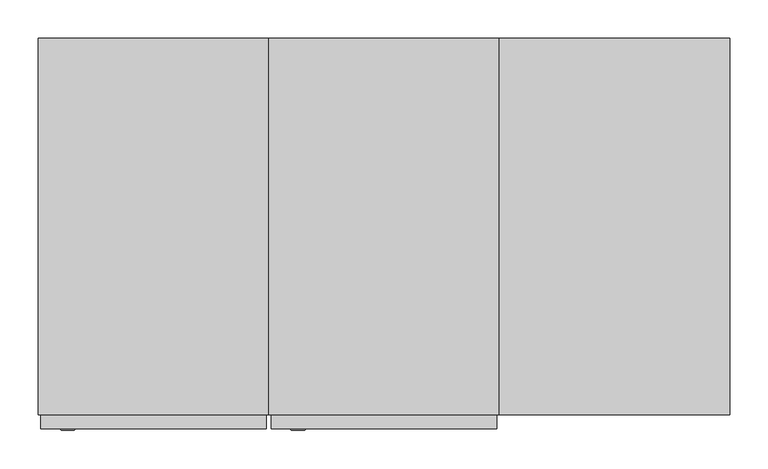
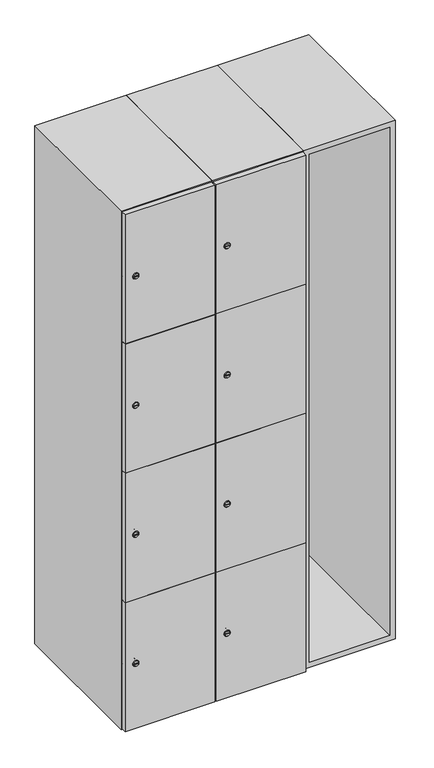
"""IFC4 building model written with IfcOpenShell, lengths in millimetres: furniture geometry."""

from ifc_helpers import new_model, si_unit, point, frame, frame_2d, origin, place, context, project, spatial, polyline, circle_curve, trimmed, segment, composite_curve, outline, extrude, faceted_brep, source, transform, mapped, element, save
from ifc_brep_helpers import plane_surface, revolved_surface, advanced_brep


def furniture_1bf9cd57(model_context):
    return source(origin(), model_context, "Body", "SolidModel", [
        faceted_brep([(700.0, -245.0, 100.0), (700.0, -245.0, 1900.0), (400.0, -245.0, 1900.0), (400.0, -245.0, 100.0), (682.0, -245.0, 1882.0), (682.0, -245.0, 118.0), (418.0, -245.0, 118.0), (418.0, -245.0, 1882.0), (700.0, 245.0, 100.0), (400.0, 245.0, 100.0), (700.0, 245.0, 1900.0), (400.0, 245.0, 1900.0), (682.0, 227.0, 1882.0), (682.0, 227.0, 118.0), (400.0, 245.0, 1882.0), (418.0, 227.0, 1882.0), (418.0, 227.0, 118.0)], [[[0, 1, 2, 3], [4, 5, 6, 7]], [[8, 0, 3, 9]], [[1, 0, 8, 10]], [[1, 10, 11, 2]], [[4, 12, 13, 5]], [[9, 3, 2, 11, 14]], [[10, 8, 9, 14, 11]], [[12, 15, 16, 13]], [[15, 7, 6, 16]], [[4, 7, 15, 12]], [[6, 5, 13, 16]]]),
        extrude(outline(composite_curve([segment(trimmed(circle_curve(frame_2d((327.25, 111.2010534)), 7.0), [point((334.25, 111.2010534))], [point((320.25, 111.2010534))], False, "CARTESIAN"), True, "CONTINUOUS"), segment(polyline([(320.25, 111.2010534), (320.25, 139.2010534)]), True, "CONTINUOUS"), segment(trimmed(circle_curve(frame_2d((327.25, 139.2010534)), 7.0), [point((320.25, 139.2010534))], [point((334.25, 139.2010534))], False, "CARTESIAN"), True, "CONTINUOUS"), segment(polyline([(334.25, 139.2010534), (334.25, 111.2010534)]), True, "CONTINUOUS")], self_intersect=False)), frame((0.0, -245.0, 0.0), z_axis=(0.0, 1.0, 0.0), x_axis=(0.0, 0.0, 1.0)), (0.0, 0.0, 1.0), 2.0),
        advanced_brep(
        [(146.5, -265.2, 327.25), (129.5, -265.2, 327.25), (133.0, -265.2, 326.0), (133.0, -265.2, 328.5), (143.0, -265.2, 328.5), (143.0, -265.2, 326.0), (148.5, -263.0, 327.25), (127.5, -263.0, 327.25), (133.0, -263.0, 328.5), (133.0, -263.0, 326.0), (143.0, -263.0, 326.0), (143.0, -263.0, 328.5)],
        [
            (0, 1, circle_curve(frame((138.0, -265.2, 327.25), z_axis=(0.0, -1.0, 0.0), x_axis=(1.0, 0.0, 0.0)), 8.5)),
            (1, 0, circle_curve(frame((138.0, -265.2, 327.25), z_axis=(0.0, -1.0, 0.0), x_axis=(-1.0, 0.0, 0.0)), 8.5)),
            (2, 3),
            (3, 4),
            (4, 5),
            (5, 2),
            (6, 7, circle_curve(frame((138.0, -263.0, 327.25), z_axis=(0.0, 1.0, 0.0), x_axis=(-1.0, 0.0, 0.0)), 10.5)),
            (7, 6, circle_curve(frame((138.0, -263.0, 327.25), z_axis=(0.0, 1.0, 0.0), x_axis=(1.0, 0.0, 0.0)), 10.5)),
            (8, 9),
            (9, 10),
            (10, 11),
            (11, 8),
            (0, 6),
            (7, 1),
            (8, 3),
            (2, 9),
            (11, 4),
            (10, 5),
        ],
        [
            plane_surface(frame((138.0, -265.2, 327.25), z_axis=(0.0, -1.0, 0.0), x_axis=(0.0, 0.0, 1.0))),
            plane_surface(frame((138.0, -263.0, 327.25), z_axis=(0.0, 1.0, 0.0), x_axis=(0.0, 0.0, 1.0))),
            revolved_surface(polyline([(146.5, -265.2, 327.25), (148.5, -263.0, 327.25)]), (138.0, -274.55, 327.25), (0.0, 1.0, 0.0)),
            revolved_surface(polyline([(129.5, -265.2, 327.25), (127.5, -263.0, 327.25)]), (138.0, -274.55, 327.25), (0.0, 1.0, 0.0)),
            plane_surface(frame((133.0, -263.0, 326.0), z_axis=(1.0, 0.0, 0.0), x_axis=(0.0, -1.0, 0.0))),
            plane_surface(frame((133.0, -263.0, 328.5), z_axis=(0.0, 0.0, -1.0), x_axis=(0.0, -1.0, 0.0))),
            plane_surface(frame((143.0, -263.0, 328.5), z_axis=(-1.0, 0.0, 0.0), x_axis=(0.0, -1.0, 0.0))),
            plane_surface(frame((143.0, -263.0, 326.0), z_axis=(0.0, 0.0, 1.0), x_axis=(0.0, -1.0, 0.0))),
        ],
        [
            (0, [[1, 2], [3, 4, 5, 6]]),
            (1, [[7, 8], [9, 10, 11, 12]]),
            (2, [[-1, 13, -8, 14]]),
            (3, [[-2, -14, -7, -13]]),
            (4, [[15, -3, 16, -9]]),
            (5, [[-15, -12, 17, -4]]),
            (6, [[-17, -11, 18, -5]]),
            (7, [[-16, -6, -18, -10]]),
        ],
    ),
        extrude(outline(composite_curve([segment(trimmed(circle_curve(frame_2d((775.75, 111.2010534)), 7.0), [point((782.75, 111.2010534))], [point((768.75, 111.2010534))], False, "CARTESIAN"), True, "CONTINUOUS"), segment(polyline([(768.75, 111.2010534), (768.75, 139.2010534)]), True, "CONTINUOUS"), segment(trimmed(circle_curve(frame_2d((775.75, 139.2010534)), 7.0), [point((768.75, 139.2010534))], [point((782.75, 139.2010534))], False, "CARTESIAN"), True, "CONTINUOUS"), segment(polyline([(782.75, 139.2010534), (782.75, 111.2010534)]), True, "CONTINUOUS")], self_intersect=False)), frame((0.0, -245.0, 0.0), z_axis=(0.0, 1.0, 0.0), x_axis=(0.0, 0.0, 1.0)), (0.0, 0.0, 1.0), 2.0),
        advanced_brep(
        [(146.5, -265.2, 775.75), (129.5, -265.2, 775.75), (133.0, -265.2, 774.5), (133.0, -265.2, 777.0), (143.0, -265.2, 777.0), (143.0, -265.2, 774.5), (148.5, -263.0, 775.75), (127.5, -263.0, 775.75), (133.0, -263.0, 777.0), (133.0, -263.0, 774.5), (143.0, -263.0, 774.5), (143.0, -263.0, 777.0)],
        [
            (0, 1, circle_curve(frame((138.0, -265.2, 775.75), z_axis=(0.0, -1.0, 0.0), x_axis=(1.0, 0.0, 0.0)), 8.5)),
            (1, 0, circle_curve(frame((138.0, -265.2, 775.75), z_axis=(0.0, -1.0, 0.0), x_axis=(-1.0, 0.0, 0.0)), 8.5)),
            (2, 3),
            (3, 4),
            (4, 5),
            (5, 2),
            (6, 7, circle_curve(frame((138.0, -263.0, 775.75), z_axis=(0.0, 1.0, 0.0), x_axis=(-1.0, 0.0, 0.0)), 10.5)),
            (7, 6, circle_curve(frame((138.0, -263.0, 775.75), z_axis=(0.0, 1.0, 0.0), x_axis=(1.0, 0.0, 0.0)), 10.5)),
            (8, 9),
            (9, 10),
            (10, 11),
            (11, 8),
            (0, 6),
            (7, 1),
            (8, 3),
            (2, 9),
            (11, 4),
            (10, 5),
        ],
        [
            plane_surface(frame((138.0, -265.2, 775.75), z_axis=(0.0, -1.0, 0.0), x_axis=(0.0, 0.0, 1.0))),
            plane_surface(frame((138.0, -263.0, 775.75), z_axis=(0.0, 1.0, 0.0), x_axis=(0.0, 0.0, 1.0))),
            revolved_surface(polyline([(146.5, -265.2, 775.75), (148.5, -263.0, 775.75)]), (138.0, -274.55, 775.75), (0.0, 1.0, 0.0)),
            revolved_surface(polyline([(129.5, -265.2, 775.75), (127.5, -263.0, 775.75)]), (138.0, -274.55, 775.75), (0.0, 1.0, 0.0)),
            plane_surface(frame((133.0, -263.0, 774.5), z_axis=(1.0, 0.0, 0.0), x_axis=(0.0, -1.0, 0.0))),
            plane_surface(frame((133.0, -263.0, 777.0), z_axis=(0.0, 0.0, -1.0), x_axis=(0.0, -1.0, 0.0))),
            plane_surface(frame((143.0, -263.0, 777.0), z_axis=(-1.0, 0.0, 0.0), x_axis=(0.0, -1.0, 0.0))),
            plane_surface(frame((143.0, -263.0, 774.5), z_axis=(0.0, 0.0, 1.0), x_axis=(0.0, -1.0, 0.0))),
        ],
        [
            (0, [[1, 2], [3, 4, 5, 6]]),
            (1, [[7, 8], [9, 10, 11, 12]]),
            (2, [[-1, 13, -8, 14]]),
            (3, [[-2, -14, -7, -13]]),
            (4, [[15, -3, 16, -9]]),
            (5, [[-15, -12, 17, -4]]),
            (6, [[-17, -11, 18, -5]]),
            (7, [[-16, -6, -18, -10]]),
        ],
    ),
        extrude(outline(composite_curve([segment(trimmed(circle_curve(frame_2d((1224.25, 111.2010534)), 7.0), [point((1231.25, 111.2010534))], [point((1217.25, 111.2010534))], False, "CARTESIAN"), True, "CONTINUOUS"), segment(polyline([(1217.25, 111.2010534), (1217.25, 139.2010534)]), True, "CONTINUOUS"), segment(trimmed(circle_curve(frame_2d((1224.25, 139.2010534)), 7.0), [point((1217.25, 139.2010534))], [point((1231.25, 139.2010534))], False, "CARTESIAN"), True, "CONTINUOUS"), segment(polyline([(1231.25, 139.2010534), (1231.25, 111.2010534)]), True, "CONTINUOUS")], self_intersect=False)), frame((0.0, -245.0, 0.0), z_axis=(0.0, 1.0, 0.0), x_axis=(0.0, 0.0, 1.0)), (0.0, 0.0, 1.0), 2.0),
        advanced_brep(
        [(146.5, -265.2, 1224.25), (129.5, -265.2, 1224.25), (133.0, -265.2, 1223.0), (133.0, -265.2, 1225.5), (143.0, -265.2, 1225.5), (143.0, -265.2, 1223.0), (148.5, -263.0, 1224.25), (127.5, -263.0, 1224.25), (133.0, -263.0, 1225.5), (133.0, -263.0, 1223.0), (143.0, -263.0, 1223.0), (143.0, -263.0, 1225.5)],
        [
            (0, 1, circle_curve(frame((138.0, -265.2, 1224.25), z_axis=(0.0, -1.0, 0.0), x_axis=(1.0, 0.0, 0.0)), 8.5)),
            (1, 0, circle_curve(frame((138.0, -265.2, 1224.25), z_axis=(0.0, -1.0, 0.0), x_axis=(-1.0, 0.0, 0.0)), 8.5)),
            (2, 3),
            (3, 4),
            (4, 5),
            (5, 2),
            (6, 7, circle_curve(frame((138.0, -263.0, 1224.25), z_axis=(0.0, 1.0, 0.0), x_axis=(-1.0, 0.0, 0.0)), 10.5)),
            (7, 6, circle_curve(frame((138.0, -263.0, 1224.25), z_axis=(0.0, 1.0, 0.0), x_axis=(1.0, 0.0, 0.0)), 10.5)),
            (8, 9),
            (9, 10),
            (10, 11),
            (11, 8),
            (0, 6),
            (7, 1),
            (8, 3),
            (2, 9),
            (11, 4),
            (10, 5),
        ],
        [
            plane_surface(frame((138.0, -265.2, 1224.25), z_axis=(0.0, -1.0, 0.0), x_axis=(0.0, 0.0, 1.0))),
            plane_surface(frame((138.0, -263.0, 1224.25), z_axis=(0.0, 1.0, 0.0), x_axis=(0.0, 0.0, 1.0))),
            revolved_surface(polyline([(146.5, -265.2, 1224.25), (148.5, -263.0, 1224.25)]), (138.0, -274.55, 1224.25), (0.0, 1.0, 0.0)),
            revolved_surface(polyline([(129.5, -265.2, 1224.25), (127.5, -263.0, 1224.25)]), (138.0, -274.55, 1224.25), (0.0, 1.0, 0.0)),
            plane_surface(frame((133.0, -263.0, 1223.0), z_axis=(1.0, 0.0, 0.0), x_axis=(0.0, -1.0, 0.0))),
            plane_surface(frame((133.0, -263.0, 1225.5), z_axis=(0.0, 0.0, -1.0), x_axis=(0.0, -1.0, 0.0))),
            plane_surface(frame((143.0, -263.0, 1225.5), z_axis=(-1.0, 0.0, 0.0), x_axis=(0.0, -1.0, 0.0))),
            plane_surface(frame((143.0, -263.0, 1223.0), z_axis=(0.0, 0.0, 1.0), x_axis=(0.0, -1.0, 0.0))),
        ],
        [
            (0, [[1, 2], [3, 4, 5, 6]]),
            (1, [[7, 8], [9, 10, 11, 12]]),
            (2, [[-1, 13, -8, 14]]),
            (3, [[-2, -14, -7, -13]]),
            (4, [[15, -3, 16, -9]]),
            (5, [[-15, -12, 17, -4]]),
            (6, [[-17, -11, 18, -5]]),
            (7, [[-16, -6, -18, -10]]),
        ],
    ),
        extrude(outline(composite_curve([segment(trimmed(circle_curve(frame_2d((1672.75, 111.2010534)), 7.0), [point((1679.75, 111.2010534))], [point((1665.75, 111.2010534))], False, "CARTESIAN"), True, "CONTINUOUS"), segment(polyline([(1665.75, 111.2010534), (1665.75, 139.2010534)]), True, "CONTINUOUS"), segment(trimmed(circle_curve(frame_2d((1672.75, 139.2010534)), 7.0), [point((1665.75, 139.2010534))], [point((1679.75, 139.2010534))], False, "CARTESIAN"), True, "CONTINUOUS"), segment(polyline([(1679.75, 139.2010534), (1679.75, 111.2010534)]), True, "CONTINUOUS")], self_intersect=False)), frame((0.0, -245.0, 0.0), z_axis=(0.0, 1.0, 0.0), x_axis=(0.0, 0.0, 1.0)), (0.0, 0.0, 1.0), 2.0),
        advanced_brep(
        [(146.5, -265.2, 1672.75), (129.5, -265.2, 1672.75), (133.0, -265.2, 1671.5), (133.0, -265.2, 1674.0), (143.0, -265.2, 1674.0), (143.0, -265.2, 1671.5), (148.5, -263.0, 1672.75), (127.5, -263.0, 1672.75), (133.0, -263.0, 1674.0), (133.0, -263.0, 1671.5), (143.0, -263.0, 1671.5), (143.0, -263.0, 1674.0)],
        [
            (0, 1, circle_curve(frame((138.0, -265.2, 1672.75), z_axis=(0.0, -1.0, 0.0), x_axis=(1.0, 0.0, 0.0)), 8.5)),
            (1, 0, circle_curve(frame((138.0, -265.2, 1672.75), z_axis=(0.0, -1.0, 0.0), x_axis=(-1.0, 0.0, 0.0)), 8.5)),
            (2, 3),
            (3, 4),
            (4, 5),
            (5, 2),
            (6, 7, circle_curve(frame((138.0, -263.0, 1672.75), z_axis=(0.0, 1.0, 0.0), x_axis=(-1.0, 0.0, 0.0)), 10.5)),
            (7, 6, circle_curve(frame((138.0, -263.0, 1672.75), z_axis=(0.0, 1.0, 0.0), x_axis=(1.0, 0.0, 0.0)), 10.5)),
            (8, 9),
            (9, 10),
            (10, 11),
            (11, 8),
            (0, 6),
            (7, 1),
            (8, 3),
            (2, 9),
            (11, 4),
            (10, 5),
        ],
        [
            plane_surface(frame((138.0, -265.2, 1672.75), z_axis=(0.0, -1.0, 0.0), x_axis=(0.0, 0.0, 1.0))),
            plane_surface(frame((138.0, -263.0, 1672.75), z_axis=(0.0, 1.0, 0.0), x_axis=(0.0, 0.0, 1.0))),
            revolved_surface(polyline([(146.5, -265.2, 1672.75), (148.5, -263.0, 1672.75)]), (138.0, -274.55, 1672.75), (0.0, 1.0, 0.0)),
            revolved_surface(polyline([(129.5, -265.2, 1672.75), (127.5, -263.0, 1672.75)]), (138.0, -274.55, 1672.75), (0.0, 1.0, 0.0)),
            plane_surface(frame((133.0, -263.0, 1671.5), z_axis=(1.0, 0.0, 0.0), x_axis=(0.0, -1.0, 0.0))),
            plane_surface(frame((133.0, -263.0, 1674.0), z_axis=(0.0, 0.0, -1.0), x_axis=(0.0, -1.0, 0.0))),
            plane_surface(frame((143.0, -263.0, 1674.0), z_axis=(-1.0, 0.0, 0.0), x_axis=(0.0, -1.0, 0.0))),
            plane_surface(frame((143.0, -263.0, 1671.5), z_axis=(0.0, 0.0, 1.0), x_axis=(0.0, -1.0, 0.0))),
        ],
        [
            (0, [[1, 2], [3, 4, 5, 6]]),
            (1, [[7, 8], [9, 10, 11, 12]]),
            (2, [[-1, 13, -8, 14]]),
            (3, [[-2, -14, -7, -13]]),
            (4, [[15, -3, 16, -9]]),
            (5, [[-15, -12, 17, -4]]),
            (6, [[-17, -11, 18, -5]]),
            (7, [[-16, -6, -18, -10]]),
        ],
    ),
        extrude(outline(polyline([(397.0, -245.0), (397.0, -263.0), (103.0, -263.0), (103.0, -245.0), (397.0, -245.0)])), frame((0.0, 0.0, 551.0), z_axis=(0.0, 0.0, 1.0), x_axis=(1.0, 0.0, 0.0)), (0.0, 0.0, 1.0), 448.5),
        extrude(outline(polyline([(397.0, -245.0), (397.0, -263.0), (103.0, -263.0), (103.0, -245.0), (397.0, -245.0)])), frame((0.0, 0.0, 1000.5), z_axis=(0.0, 0.0, 1.0), x_axis=(1.0, 0.0, 0.0)), (0.0, 0.0, 1.0), 447.5),
        extrude(outline(polyline([(103.0, -263.0), (103.0, -245.0), (397.0, -245.0), (397.0, -263.0), (103.0, -263.0)])), frame((0.0, 0.0, 1449.0), z_axis=(0.0, 0.0, 1.0), x_axis=(1.0, 0.0, 0.0)), (0.0, 0.0, 1.0), 448.0),
        extrude(outline(polyline([(397.0, -245.0), (397.0, -263.0), (103.0, -263.0), (103.0, -245.0), (397.0, -245.0)])), frame((0.0, 0.0, 103.0), z_axis=(0.0, 0.0, 1.0), x_axis=(1.0, 0.0, 0.0)), (0.0, 0.0, 1.0), 449.0),
        extrude(outline(polyline([(382.0, 227.0), (382.0, -227.0), (118.0, -227.0), (118.0, 227.0), (382.0, 227.0)])), frame((0.0, 0.0, 1432.0), z_axis=(0.0, 0.0, 1.0), x_axis=(1.0, 0.0, 0.0)), (0.0, 0.0, 1.0), 18.0),
        extrude(outline(polyline([(382.0, 227.0), (382.0, -227.0), (118.0, -227.0), (118.0, 227.0), (382.0, 227.0)])), frame((0.0, 0.0, 991.0), z_axis=(0.0, 0.0, 1.0), x_axis=(1.0, 0.0, 0.0)), (0.0, 0.0, 1.0), 18.0),
        extrude(outline(polyline([(382.0, 227.0), (382.0, -227.0), (118.0, -227.0), (118.0, 227.0), (382.0, 227.0)])), frame((0.0, 0.0, 550.0), z_axis=(0.0, 0.0, 1.0), x_axis=(1.0, 0.0, 0.0)), (0.0, 0.0, 1.0), 18.0),
        faceted_brep([(400.0, -245.0, 100.0), (400.0, -245.0, 1900.0), (100.0, -245.0, 1900.0), (100.0, -245.0, 100.0), (382.0, -245.0, 1882.0), (382.0, -245.0, 118.0), (118.0, -245.0, 118.0), (118.0, -245.0, 1882.0), (400.0, 245.0, 100.0), (100.0, 245.0, 100.0), (400.0, 245.0, 1900.0), (100.0, 245.0, 1900.0), (382.0, 227.0, 1882.0), (382.0, 227.0, 118.0), (100.0, 245.0, 1882.0), (118.0, 227.0, 1882.0), (118.0, 227.0, 118.0)], [[[0, 1, 2, 3], [4, 5, 6, 7]], [[8, 0, 3, 9]], [[1, 0, 8, 10]], [[1, 10, 11, 2]], [[4, 12, 13, 5]], [[9, 3, 2, 11, 14]], [[10, 8, 9, 14, 11]], [[12, 15, 16, 13]], [[15, 7, 6, 16]], [[4, 7, 15, 12]], [[6, 5, 13, 16]]]),
        extrude(outline(composite_curve([segment(trimmed(circle_curve(frame_2d((327.25, -188.7989466)), 7.0), [point((334.25, -188.7989466))], [point((320.25, -188.7989466))], False, "CARTESIAN"), True, "CONTINUOUS"), segment(polyline([(320.25, -188.7989466), (320.25, -160.7989466)]), True, "CONTINUOUS"), segment(trimmed(circle_curve(frame_2d((327.25, -160.7989466)), 7.0), [point((320.25, -160.7989466))], [point((334.25, -160.7989466))], False, "CARTESIAN"), True, "CONTINUOUS"), segment(polyline([(334.25, -160.7989466), (334.25, -188.7989466)]), True, "CONTINUOUS")], self_intersect=False)), frame((0.0, -245.0, 0.0), z_axis=(0.0, 1.0, 0.0), x_axis=(0.0, 0.0, 1.0)), (0.0, 0.0, 1.0), 2.0),
        advanced_brep(
        [(-153.5, -265.2, 327.25), (-170.5, -265.2, 327.25), (-167.0, -265.2, 326.0), (-167.0, -265.2, 328.5), (-157.0, -265.2, 328.5), (-157.0, -265.2, 326.0), (-151.5, -263.0, 327.25), (-172.5, -263.0, 327.25), (-167.0, -263.0, 328.5), (-167.0, -263.0, 326.0), (-157.0, -263.0, 326.0), (-157.0, -263.0, 328.5)],
        [
            (0, 1, circle_curve(frame((-162.0, -265.2, 327.25), z_axis=(0.0, -1.0, 0.0), x_axis=(1.0, 0.0, 0.0)), 8.5)),
            (1, 0, circle_curve(frame((-162.0, -265.2, 327.25), z_axis=(0.0, -1.0, 0.0), x_axis=(-1.0, 0.0, 0.0)), 8.5)),
            (2, 3),
            (3, 4),
            (4, 5),
            (5, 2),
            (6, 7, circle_curve(frame((-162.0, -263.0, 327.25), z_axis=(0.0, 1.0, 0.0), x_axis=(-1.0, 0.0, 0.0)), 10.5)),
            (7, 6, circle_curve(frame((-162.0, -263.0, 327.25), z_axis=(0.0, 1.0, 0.0), x_axis=(1.0, 0.0, 0.0)), 10.5)),
            (8, 9),
            (9, 10),
            (10, 11),
            (11, 8),
            (0, 6),
            (7, 1),
            (8, 3),
            (2, 9),
            (11, 4),
            (10, 5),
        ],
        [
            plane_surface(frame((-162.0, -265.2, 327.25), z_axis=(0.0, -1.0, 0.0), x_axis=(0.0, 0.0, 1.0))),
            plane_surface(frame((-162.0, -263.0, 327.25), z_axis=(0.0, 1.0, 0.0), x_axis=(0.0, 0.0, 1.0))),
            revolved_surface(polyline([(-153.5, -265.2, 327.25), (-151.5, -263.0, 327.25)]), (-162.0, -274.55, 327.25), (0.0, 1.0, 0.0)),
            revolved_surface(polyline([(-170.5, -265.2, 327.25), (-172.5, -263.0, 327.25)]), (-162.0, -274.55, 327.25), (0.0, 1.0, 0.0)),
            plane_surface(frame((-167.0, -263.0, 326.0), z_axis=(1.0, 0.0, 0.0), x_axis=(0.0, -1.0, 0.0))),
            plane_surface(frame((-167.0, -263.0, 328.5), z_axis=(0.0, 0.0, -1.0), x_axis=(0.0, -1.0, 0.0))),
            plane_surface(frame((-157.0, -263.0, 328.5), z_axis=(-1.0, 0.0, 0.0), x_axis=(0.0, -1.0, 0.0))),
            plane_surface(frame((-157.0, -263.0, 326.0), z_axis=(0.0, 0.0, 1.0), x_axis=(0.0, -1.0, 0.0))),
        ],
        [
            (0, [[1, 2], [3, 4, 5, 6]]),
            (1, [[7, 8], [9, 10, 11, 12]]),
            (2, [[-1, 13, -8, 14]]),
            (3, [[-2, -14, -7, -13]]),
            (4, [[15, -3, 16, -9]]),
            (5, [[-15, -12, 17, -4]]),
            (6, [[-17, -11, 18, -5]]),
            (7, [[-16, -6, -18, -10]]),
        ],
    ),
        extrude(outline(composite_curve([segment(trimmed(circle_curve(frame_2d((775.75, -188.7989466)), 7.0), [point((782.75, -188.7989466))], [point((768.75, -188.7989466))], False, "CARTESIAN"), True, "CONTINUOUS"), segment(polyline([(768.75, -188.7989466), (768.75, -160.7989466)]), True, "CONTINUOUS"), segment(trimmed(circle_curve(frame_2d((775.75, -160.7989466)), 7.0), [point((768.75, -160.7989466))], [point((782.75, -160.7989466))], False, "CARTESIAN"), True, "CONTINUOUS"), segment(polyline([(782.75, -160.7989466), (782.75, -188.7989466)]), True, "CONTINUOUS")], self_intersect=False)), frame((0.0, -245.0, 0.0), z_axis=(0.0, 1.0, 0.0), x_axis=(0.0, 0.0, 1.0)), (0.0, 0.0, 1.0), 2.0),
        advanced_brep(
        [(-153.5, -265.2, 775.75), (-170.5, -265.2, 775.75), (-167.0, -265.2, 774.5), (-167.0, -265.2, 777.0), (-157.0, -265.2, 777.0), (-157.0, -265.2, 774.5), (-151.5, -263.0, 775.75), (-172.5, -263.0, 775.75), (-167.0, -263.0, 777.0), (-167.0, -263.0, 774.5), (-157.0, -263.0, 774.5), (-157.0, -263.0, 777.0)],
        [
            (0, 1, circle_curve(frame((-162.0, -265.2, 775.75), z_axis=(0.0, -1.0, 0.0), x_axis=(1.0, 0.0, 0.0)), 8.5)),
            (1, 0, circle_curve(frame((-162.0, -265.2, 775.75), z_axis=(0.0, -1.0, 0.0), x_axis=(-1.0, 0.0, 0.0)), 8.5)),
            (2, 3),
            (3, 4),
            (4, 5),
            (5, 2),
            (6, 7, circle_curve(frame((-162.0, -263.0, 775.75), z_axis=(0.0, 1.0, 0.0), x_axis=(-1.0, 0.0, 0.0)), 10.5)),
            (7, 6, circle_curve(frame((-162.0, -263.0, 775.75), z_axis=(0.0, 1.0, 0.0), x_axis=(1.0, 0.0, 0.0)), 10.5)),
            (8, 9),
            (9, 10),
            (10, 11),
            (11, 8),
            (0, 6),
            (7, 1),
            (8, 3),
            (2, 9),
            (11, 4),
            (10, 5),
        ],
        [
            plane_surface(frame((-162.0, -265.2, 775.75), z_axis=(0.0, -1.0, 0.0), x_axis=(0.0, 0.0, 1.0))),
            plane_surface(frame((-162.0, -263.0, 775.75), z_axis=(0.0, 1.0, 0.0), x_axis=(0.0, 0.0, 1.0))),
            revolved_surface(polyline([(-153.5, -265.2, 775.75), (-151.5, -263.0, 775.75)]), (-162.0, -274.55, 775.75), (0.0, 1.0, 0.0)),
            revolved_surface(polyline([(-170.5, -265.2, 775.75), (-172.5, -263.0, 775.75)]), (-162.0, -274.55, 775.75), (0.0, 1.0, 0.0)),
            plane_surface(frame((-167.0, -263.0, 774.5), z_axis=(1.0, 0.0, 0.0), x_axis=(0.0, -1.0, 0.0))),
            plane_surface(frame((-167.0, -263.0, 777.0), z_axis=(0.0, 0.0, -1.0), x_axis=(0.0, -1.0, 0.0))),
            plane_surface(frame((-157.0, -263.0, 777.0), z_axis=(-1.0, 0.0, 0.0), x_axis=(0.0, -1.0, 0.0))),
            plane_surface(frame((-157.0, -263.0, 774.5), z_axis=(0.0, 0.0, 1.0), x_axis=(0.0, -1.0, 0.0))),
        ],
        [
            (0, [[1, 2], [3, 4, 5, 6]]),
            (1, [[7, 8], [9, 10, 11, 12]]),
            (2, [[-1, 13, -8, 14]]),
            (3, [[-2, -14, -7, -13]]),
            (4, [[15, -3, 16, -9]]),
            (5, [[-15, -12, 17, -4]]),
            (6, [[-17, -11, 18, -5]]),
            (7, [[-16, -6, -18, -10]]),
        ],
    ),
        extrude(outline(composite_curve([segment(trimmed(circle_curve(frame_2d((1224.25, -188.7989466)), 7.0), [point((1231.25, -188.7989466))], [point((1217.25, -188.7989466))], False, "CARTESIAN"), True, "CONTINUOUS"), segment(polyline([(1217.25, -188.7989466), (1217.25, -160.7989466)]), True, "CONTINUOUS"), segment(trimmed(circle_curve(frame_2d((1224.25, -160.7989466)), 7.0), [point((1217.25, -160.7989466))], [point((1231.25, -160.7989466))], False, "CARTESIAN"), True, "CONTINUOUS"), segment(polyline([(1231.25, -160.7989466), (1231.25, -188.7989466)]), True, "CONTINUOUS")], self_intersect=False)), frame((0.0, -245.0, 0.0), z_axis=(0.0, 1.0, 0.0), x_axis=(0.0, 0.0, 1.0)), (0.0, 0.0, 1.0), 2.0),
        advanced_brep(
        [(-153.5, -265.2, 1224.25), (-170.5, -265.2, 1224.25), (-167.0, -265.2, 1223.0), (-167.0, -265.2, 1225.5), (-157.0, -265.2, 1225.5), (-157.0, -265.2, 1223.0), (-151.5, -263.0, 1224.25), (-172.5, -263.0, 1224.25), (-167.0, -263.0, 1225.5), (-167.0, -263.0, 1223.0), (-157.0, -263.0, 1223.0), (-157.0, -263.0, 1225.5)],
        [
            (0, 1, circle_curve(frame((-162.0, -265.2, 1224.25), z_axis=(0.0, -1.0, 0.0), x_axis=(1.0, 0.0, 0.0)), 8.5)),
            (1, 0, circle_curve(frame((-162.0, -265.2, 1224.25), z_axis=(0.0, -1.0, 0.0), x_axis=(-1.0, 0.0, 0.0)), 8.5)),
            (2, 3),
            (3, 4),
            (4, 5),
            (5, 2),
            (6, 7, circle_curve(frame((-162.0, -263.0, 1224.25), z_axis=(0.0, 1.0, 0.0), x_axis=(-1.0, 0.0, 0.0)), 10.5)),
            (7, 6, circle_curve(frame((-162.0, -263.0, 1224.25), z_axis=(0.0, 1.0, 0.0), x_axis=(1.0, 0.0, 0.0)), 10.5)),
            (8, 9),
            (9, 10),
            (10, 11),
            (11, 8),
            (0, 6),
            (7, 1),
            (8, 3),
            (2, 9),
            (11, 4),
            (10, 5),
        ],
        [
            plane_surface(frame((-162.0, -265.2, 1224.25), z_axis=(0.0, -1.0, 0.0), x_axis=(0.0, 0.0, 1.0))),
            plane_surface(frame((-162.0, -263.0, 1224.25), z_axis=(0.0, 1.0, 0.0), x_axis=(0.0, 0.0, 1.0))),
            revolved_surface(polyline([(-153.5, -265.2, 1224.25), (-151.5, -263.0, 1224.25)]), (-162.0, -274.55, 1224.25), (0.0, 1.0, 0.0)),
            revolved_surface(polyline([(-170.5, -265.2, 1224.25), (-172.5, -263.0, 1224.25)]), (-162.0, -274.55, 1224.25), (0.0, 1.0, 0.0)),
            plane_surface(frame((-167.0, -263.0, 1223.0), z_axis=(1.0, 0.0, 0.0), x_axis=(0.0, -1.0, 0.0))),
            plane_surface(frame((-167.0, -263.0, 1225.5), z_axis=(0.0, 0.0, -1.0), x_axis=(0.0, -1.0, 0.0))),
            plane_surface(frame((-157.0, -263.0, 1225.5), z_axis=(-1.0, 0.0, 0.0), x_axis=(0.0, -1.0, 0.0))),
            plane_surface(frame((-157.0, -263.0, 1223.0), z_axis=(0.0, 0.0, 1.0), x_axis=(0.0, -1.0, 0.0))),
        ],
        [
            (0, [[1, 2], [3, 4, 5, 6]]),
            (1, [[7, 8], [9, 10, 11, 12]]),
            (2, [[-1, 13, -8, 14]]),
            (3, [[-2, -14, -7, -13]]),
            (4, [[15, -3, 16, -9]]),
            (5, [[-15, -12, 17, -4]]),
            (6, [[-17, -11, 18, -5]]),
            (7, [[-16, -6, -18, -10]]),
        ],
    ),
        extrude(outline(composite_curve([segment(trimmed(circle_curve(frame_2d((1672.75, -188.7989466)), 7.0), [point((1679.75, -188.7989466))], [point((1665.75, -188.7989466))], False, "CARTESIAN"), True, "CONTINUOUS"), segment(polyline([(1665.75, -188.7989466), (1665.75, -160.7989466)]), True, "CONTINUOUS"), segment(trimmed(circle_curve(frame_2d((1672.75, -160.7989466)), 7.0), [point((1665.75, -160.7989466))], [point((1679.75, -160.7989466))], False, "CARTESIAN"), True, "CONTINUOUS"), segment(polyline([(1679.75, -160.7989466), (1679.75, -188.7989466)]), True, "CONTINUOUS")], self_intersect=False)), frame((0.0, -245.0, 0.0), z_axis=(0.0, 1.0, 0.0), x_axis=(0.0, 0.0, 1.0)), (0.0, 0.0, 1.0), 2.0),
        advanced_brep(
        [(-153.5, -265.2, 1672.75), (-170.5, -265.2, 1672.75), (-167.0, -265.2, 1671.5), (-167.0, -265.2, 1674.0), (-157.0, -265.2, 1674.0), (-157.0, -265.2, 1671.5), (-151.5, -263.0, 1672.75), (-172.5, -263.0, 1672.75), (-167.0, -263.0, 1674.0), (-167.0, -263.0, 1671.5), (-157.0, -263.0, 1671.5), (-157.0, -263.0, 1674.0)],
        [
            (0, 1, circle_curve(frame((-162.0, -265.2, 1672.75), z_axis=(0.0, -1.0, 0.0), x_axis=(1.0, 0.0, 0.0)), 8.5)),
            (1, 0, circle_curve(frame((-162.0, -265.2, 1672.75), z_axis=(0.0, -1.0, 0.0), x_axis=(-1.0, 0.0, 0.0)), 8.5)),
            (2, 3),
            (3, 4),
            (4, 5),
            (5, 2),
            (6, 7, circle_curve(frame((-162.0, -263.0, 1672.75), z_axis=(0.0, 1.0, 0.0), x_axis=(-1.0, 0.0, 0.0)), 10.5)),
            (7, 6, circle_curve(frame((-162.0, -263.0, 1672.75), z_axis=(0.0, 1.0, 0.0), x_axis=(1.0, 0.0, 0.0)), 10.5)),
            (8, 9),
            (9, 10),
            (10, 11),
            (11, 8),
            (0, 6),
            (7, 1),
            (8, 3),
            (2, 9),
            (11, 4),
            (10, 5),
        ],
        [
            plane_surface(frame((-162.0, -265.2, 1672.75), z_axis=(0.0, -1.0, 0.0), x_axis=(0.0, 0.0, 1.0))),
            plane_surface(frame((-162.0, -263.0, 1672.75), z_axis=(0.0, 1.0, 0.0), x_axis=(0.0, 0.0, 1.0))),
            revolved_surface(polyline([(-153.5, -265.2, 1672.75), (-151.5, -263.0, 1672.75)]), (-162.0, -274.55, 1672.75), (0.0, 1.0, 0.0)),
            revolved_surface(polyline([(-170.5, -265.2, 1672.75), (-172.5, -263.0, 1672.75)]), (-162.0, -274.55, 1672.75), (0.0, 1.0, 0.0)),
            plane_surface(frame((-167.0, -263.0, 1671.5), z_axis=(1.0, 0.0, 0.0), x_axis=(0.0, -1.0, 0.0))),
            plane_surface(frame((-167.0, -263.0, 1674.0), z_axis=(0.0, 0.0, -1.0), x_axis=(0.0, -1.0, 0.0))),
            plane_surface(frame((-157.0, -263.0, 1674.0), z_axis=(-1.0, 0.0, 0.0), x_axis=(0.0, -1.0, 0.0))),
            plane_surface(frame((-157.0, -263.0, 1671.5), z_axis=(0.0, 0.0, 1.0), x_axis=(0.0, -1.0, 0.0))),
        ],
        [
            (0, [[1, 2], [3, 4, 5, 6]]),
            (1, [[7, 8], [9, 10, 11, 12]]),
            (2, [[-1, 13, -8, 14]]),
            (3, [[-2, -14, -7, -13]]),
            (4, [[15, -3, 16, -9]]),
            (5, [[-15, -12, 17, -4]]),
            (6, [[-17, -11, 18, -5]]),
            (7, [[-16, -6, -18, -10]]),
        ],
    ),
        extrude(outline(polyline([(97.0, -245.0), (97.0, -263.0), (-197.0, -263.0), (-197.0, -245.0), (97.0, -245.0)])), frame((0.0, 0.0, 551.0), z_axis=(0.0, 0.0, 1.0), x_axis=(1.0, 0.0, 0.0)), (0.0, 0.0, 1.0), 448.5),
        extrude(outline(polyline([(97.0, -245.0), (97.0, -263.0), (-197.0, -263.0), (-197.0, -245.0), (97.0, -245.0)])), frame((0.0, 0.0, 1000.5), z_axis=(0.0, 0.0, 1.0), x_axis=(1.0, 0.0, 0.0)), (0.0, 0.0, 1.0), 447.5),
        extrude(outline(polyline([(-197.0, -263.0), (-197.0, -245.0), (97.0, -245.0), (97.0, -263.0), (-197.0, -263.0)])), frame((0.0, 0.0, 1449.0), z_axis=(0.0, 0.0, 1.0), x_axis=(1.0, 0.0, 0.0)), (0.0, 0.0, 1.0), 448.0),
        extrude(outline(polyline([(97.0, -245.0), (97.0, -263.0), (-197.0, -263.0), (-197.0, -245.0), (97.0, -245.0)])), frame((0.0, 0.0, 103.0), z_axis=(0.0, 0.0, 1.0), x_axis=(1.0, 0.0, 0.0)), (0.0, 0.0, 1.0), 449.0),
        extrude(outline(polyline([(82.0, 227.0), (82.0, -227.0), (-182.0, -227.0), (-182.0, 227.0), (82.0, 227.0)])), frame((0.0, 0.0, 1432.0), z_axis=(0.0, 0.0, 1.0), x_axis=(1.0, 0.0, 0.0)), (0.0, 0.0, 1.0), 18.0),
        extrude(outline(polyline([(82.0, 227.0), (82.0, -227.0), (-182.0, -227.0), (-182.0, 227.0), (82.0, 227.0)])), frame((0.0, 0.0, 991.0), z_axis=(0.0, 0.0, 1.0), x_axis=(1.0, 0.0, 0.0)), (0.0, 0.0, 1.0), 18.0),
        extrude(outline(polyline([(82.0, 227.0), (82.0, -227.0), (-182.0, -227.0), (-182.0, 227.0), (82.0, 227.0)])), frame((0.0, 0.0, 550.0), z_axis=(0.0, 0.0, 1.0), x_axis=(1.0, 0.0, 0.0)), (0.0, 0.0, 1.0), 18.0),
        faceted_brep([(100.0, -245.0, 100.0), (100.0, -245.0, 1900.0), (-200.0, -245.0, 1900.0), (-200.0, -245.0, 100.0), (82.0, -245.0, 1882.0), (82.0, -245.0, 118.0), (-182.0, -245.0, 118.0), (-182.0, -245.0, 1882.0), (100.0, 245.0, 100.0), (-200.0, 245.0, 100.0), (100.0, 245.0, 1900.0), (-200.0, 245.0, 1900.0), (82.0, 227.0, 1882.0), (82.0, 227.0, 118.0), (-200.0, 245.0, 1882.0), (-182.0, 227.0, 1882.0), (-182.0, 227.0, 118.0)], [[[0, 1, 2, 3], [4, 5, 6, 7]], [[8, 0, 3, 9]], [[1, 0, 8, 10]], [[1, 10, 11, 2]], [[4, 12, 13, 5]], [[9, 3, 2, 11, 14]], [[10, 8, 9, 14, 11]], [[12, 15, 16, 13]], [[15, 7, 6, 16]], [[4, 7, 15, 12]], [[6, 5, 13, 16]]]),
    ])


if __name__ == "__main__":
    model = new_model("IFC4")
    model_context = context("Model", 3, world=origin())
    ifc_project = project(units=[si_unit("LENGTHUNIT", "METRE", prefix="MILLI")], contexts=[model_context])
    site = spatial("IfcSite", under=ifc_project)
    building = spatial("IfcBuilding", under=site)
    placement = place(None, origin())
    furniture_shape = furniture_1bf9cd57(model_context)
    element("IfcFurniture", 1, at=placement, inside=building, context=model_context, shape_type="MappedRepresentation", body=[
        mapped(furniture_shape, transform((0.0, 0.0, 0.0), x_axis=(1.0, 0.0, 0.0), y_axis=(0.0, 1.0, 0.0), z_axis=(0.0, 0.0, 1.0))),
    ])
    save(model, "model.ifc")
